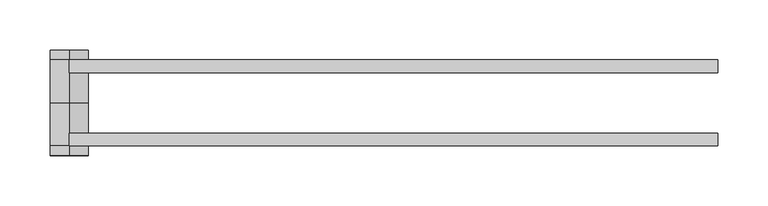
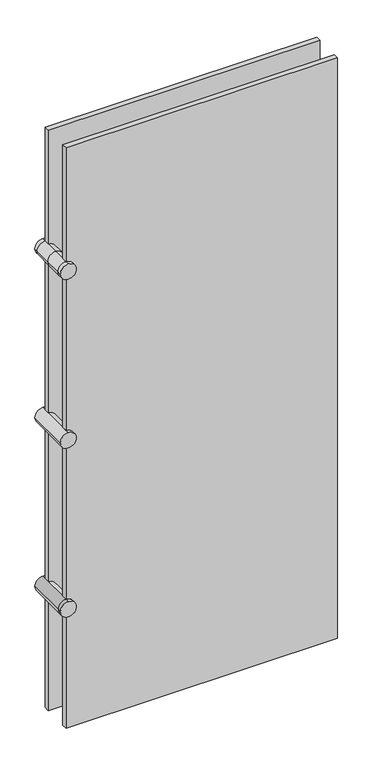
"""IFC4 building model written with IfcOpenShell, lengths in millimetres: plate geometry."""

from ifc_helpers import new_model, si_unit, point, frame, frame_2d, origin, origin_with_axes, place, context, project, spatial, polyline, circle_curve, trimmed, segment, composite_curve, outline, extrude, source, transform, mapped, element, save
from ifc_brep_helpers import plane_surface, cylinder_surface, advanced_brep


def plate_f481ce31(model_context):
    return source(origin(), model_context, "Body", "SolidModel", [
        extrude(outline(polyline([(322.9430788, 42.8355237), (322.9430788, 30.1355237), (-322.9430788, 30.1355237), (-322.9430788, 42.8355237), (322.9430788, 42.8355237)])), origin_with_axes(), (0.0, 0.0, 1.0), 1457.6723151),
        extrude(outline(polyline([(322.9430788, -42.8111299), (-322.9430788, -42.8111299), (-322.9430788, -30.1111299), (322.9430788, -30.1111299), (322.9430788, -42.8111299)])), origin_with_axes(), (0.0, 0.0, 1.0), 1457.6723151),
        advanced_brep(
        [(-303.8930788, 52.3605237, 304.8), (-322.9430788, 52.3605237, 285.75), (-341.9930788, 52.3605237, 304.8), (-322.9430788, 52.3605237, 323.85), (-303.8930788, -52.3361299, 304.8), (-322.9430788, -52.3361299, 323.85), (-341.9930788, -52.3361299, 304.8), (-322.9430788, -52.3361299, 285.75), (-303.8930788, -42.8111299, 304.8), (-322.9430788, -42.8111299, 285.75), (-341.9930788, -42.8111299, 304.8), (-322.9430788, -42.8111299, 323.85)],
        [
            (0, 1, circle_curve(frame((-322.9430788, 52.3605237, 304.8), z_axis=(0.0, 1.0, 0.0), x_axis=(0.0, 0.0, 1.0)), 19.05)),
            (1, 2, circle_curve(frame((-322.9430788, 52.3605237, 304.8), z_axis=(0.0, 1.0, 0.0), x_axis=(0.0, 0.0, 1.0)), 19.05)),
            (2, 3, circle_curve(frame((-322.9430788, 52.3605237, 304.8), z_axis=(0.0, 1.0, 0.0), x_axis=(0.0, 0.0, 1.0)), 19.05)),
            (3, 0, circle_curve(frame((-322.9430788, 52.3605237, 304.8), z_axis=(0.0, 1.0, 0.0), x_axis=(0.0, 0.0, 1.0)), 19.05)),
            (4, 5, circle_curve(frame((-322.9430788, -52.3361299, 304.8), z_axis=(0.0, -1.0, 0.0), x_axis=(0.0, 0.0, 1.0)), 19.05)),
            (5, 6, circle_curve(frame((-322.9430788, -52.3361299, 304.8), z_axis=(0.0, -1.0, 0.0), x_axis=(0.0, 0.0, 1.0)), 19.05)),
            (6, 7, circle_curve(frame((-322.9430788, -52.3361299, 304.8), z_axis=(0.0, -1.0, 0.0), x_axis=(0.0, 0.0, 1.0)), 19.05)),
            (7, 4, circle_curve(frame((-322.9430788, -52.3361299, 304.8), z_axis=(0.0, -1.0, 0.0), x_axis=(0.0, 0.0, 1.0)), 19.05)),
            (0, 8),
            (8, 9, circle_curve(frame((-322.9430788, -42.8111299, 304.8), z_axis=(0.0, 1.0, 0.0), x_axis=(0.0, 0.0, 1.0)), 19.05)),
            (9, 1),
            (9, 10, circle_curve(frame((-322.9430788, -42.8111299, 304.8), z_axis=(0.0, 1.0, 0.0), x_axis=(0.0, 0.0, 1.0)), 19.05)),
            (10, 2),
            (10, 11, circle_curve(frame((-322.9430788, -42.8111299, 304.8), z_axis=(0.0, 1.0, 0.0), x_axis=(0.0, 0.0, 1.0)), 19.05)),
            (11, 3),
            (11, 8, circle_curve(frame((-322.9430788, -42.8111299, 304.8), z_axis=(0.0, 1.0, 0.0), x_axis=(0.0, 0.0, 1.0)), 19.05)),
            (8, 4),
            (7, 9),
            (6, 10),
            (5, 11),
        ],
        [
            plane_surface(frame((-322.9430788, 52.3605237, 718.8924206), z_axis=(0.0, 1.0, 0.0), x_axis=(-1.0, 0.0, 0.0))),
            plane_surface(frame((-322.9430788, -52.3361299, 718.8924206), z_axis=(0.0, -1.0, 0.0), x_axis=(-1.0, 0.0, 0.0))),
            cylinder_surface(frame((-322.9430788, 52.3605237, 304.8), z_axis=(0.0, 1.0, 0.0), x_axis=(0.0, 0.0, 1.0)), 19.05),
            cylinder_surface(frame((-322.9430788, -42.8111299, 304.8), z_axis=(0.0, 1.0, 0.0), x_axis=(0.0, 0.0, 1.0)), 19.05),
        ],
        [
            (0, [[1, 2, 3, 4]]),
            (1, [[5, 6, 7, 8]]),
            (2, [[-1, 9, 10, 11]]),
            (2, [[-2, -11, 12, 13]]),
            (2, [[-3, -13, 14, 15]]),
            (2, [[-4, -15, 16, -9]]),
            (3, [[-10, 17, -8, 18]]),
            (3, [[-12, -18, -7, 19]]),
            (3, [[-14, -19, -6, 20]]),
            (3, [[-16, -20, -5, -17]]),
        ],
    ),
        extrude(outline(composite_curve([segment(trimmed(circle_curve(frame_2d((728.8361575, -322.9430788)), 19.05), [point((747.8861575, -322.9430788))], [point((728.8361575, -341.9930788))], False, "CARTESIAN"), True, "CONTINUOUS"), segment(trimmed(circle_curve(frame_2d((728.8361575, -322.9430788)), 19.05), [point((728.8361575, -341.9930788))], [point((709.7861575, -322.9430788))], False, "CARTESIAN"), True, "CONTINUOUS"), segment(trimmed(circle_curve(frame_2d((728.8361575, -322.9430788)), 19.05), [point((709.7861575, -322.9430788))], [point((728.8361575, -303.8930788))], False, "CARTESIAN"), True, "CONTINUOUS"), segment(trimmed(circle_curve(frame_2d((728.8361575, -322.9430788)), 19.05), [point((728.8361575, -303.8930788))], [point((747.8861575, -322.9430788))], False, "CARTESIAN"), True, "CONTINUOUS")], self_intersect=False)), frame((0.0, -52.3361299, 0.0), z_axis=(0.0, 1.0, 0.0), x_axis=(0.0, 0.0, 1.0)), (0.0, 0.0, 1.0), 104.6966536),
        advanced_brep(
        [(-322.9430788, -52.3361299, 1171.9223151), (-341.9930788, -52.3361299, 1152.8723151), (-322.9430788, -52.3361299, 1133.8223151), (-303.8930788, -52.3361299, 1152.8723151), (-322.9430788, 52.3605237, 1171.9223151), (-303.8930788, 52.3605237, 1152.8723151), (-322.9430788, 52.3605237, 1133.8223151), (-341.9930788, 52.3605237, 1152.8723151), (-341.9930788, 0.0121969, 1152.8723151), (-322.9430788, 0.0121969, 1171.9223151), (-322.9430788, 42.8355237, 1171.9223151), (-341.9930788, 42.8355237, 1152.8723151), (-322.9430788, 0.0121969, 1133.8223151), (-322.9430788, 42.8355237, 1133.8223151), (-303.8930788, 0.0121969, 1152.8723151), (-303.8930788, 42.8355237, 1152.8723151), (-322.9430788, -42.8111299, 1171.9223151), (-341.9930788, -42.8111299, 1152.8723151), (-322.9430788, -42.8111299, 1133.8223151), (-303.8930788, -42.8111299, 1152.8723151)],
        [
            (0, 1, circle_curve(frame((-322.9430788, -52.3361299, 1152.8723151), z_axis=(0.0, -1.0, 0.0), x_axis=(0.0, 0.0, -1.0)), 19.05)),
            (1, 2, circle_curve(frame((-322.9430788, -52.3361299, 1152.8723151), z_axis=(0.0, -1.0, 0.0), x_axis=(0.0, 0.0, -1.0)), 19.05)),
            (2, 3, circle_curve(frame((-322.9430788, -52.3361299, 1152.8723151), z_axis=(0.0, -1.0, 0.0), x_axis=(0.0, 0.0, -1.0)), 19.05)),
            (3, 0, circle_curve(frame((-322.9430788, -52.3361299, 1152.8723151), z_axis=(0.0, -1.0, 0.0), x_axis=(0.0, 0.0, -1.0)), 19.05)),
            (4, 5, circle_curve(frame((-322.9430788, 52.3605237, 1152.8723151), z_axis=(0.0, 1.0, 0.0), x_axis=(0.0, 0.0, -1.0)), 19.05)),
            (5, 6, circle_curve(frame((-322.9430788, 52.3605237, 1152.8723151), z_axis=(0.0, 1.0, 0.0), x_axis=(0.0, 0.0, -1.0)), 19.05)),
            (6, 7, circle_curve(frame((-322.9430788, 52.3605237, 1152.8723151), z_axis=(0.0, 1.0, 0.0), x_axis=(0.0, 0.0, -1.0)), 19.05)),
            (7, 4, circle_curve(frame((-322.9430788, 52.3605237, 1152.8723151), z_axis=(0.0, 1.0, 0.0), x_axis=(0.0, 0.0, -1.0)), 19.05)),
            (8, 9, circle_curve(frame((-322.9430788, 0.0121969, 1152.8723151), z_axis=(0.0, 1.0, 0.0), x_axis=(0.0, 0.0, -1.0)), 19.05)),
            (9, 10),
            (10, 11, circle_curve(frame((-322.9430788, 42.8355237, 1152.8723151), z_axis=(0.0, -1.0, 0.0), x_axis=(0.0, 0.0, -1.0)), 19.05)),
            (11, 8),
            (12, 8, circle_curve(frame((-322.9430788, 0.0121969, 1152.8723151), z_axis=(0.0, 1.0, 0.0), x_axis=(0.0, 0.0, -1.0)), 19.05)),
            (11, 13, circle_curve(frame((-322.9430788, 42.8355237, 1152.8723151), z_axis=(0.0, -1.0, 0.0), x_axis=(0.0, 0.0, -1.0)), 19.05)),
            (13, 12),
            (14, 12, circle_curve(frame((-322.9430788, 0.0121969, 1152.8723151), z_axis=(0.0, 1.0, 0.0), x_axis=(0.0, 0.0, -1.0)), 19.05)),
            (13, 15, circle_curve(frame((-322.9430788, 42.8355237, 1152.8723151), z_axis=(0.0, -1.0, 0.0), x_axis=(0.0, 0.0, -1.0)), 19.05)),
            (15, 14),
            (9, 14, circle_curve(frame((-322.9430788, 0.0121969, 1152.8723151), z_axis=(0.0, 1.0, 0.0), x_axis=(0.0, 0.0, -1.0)), 19.05)),
            (15, 10, circle_curve(frame((-322.9430788, 42.8355237, 1152.8723151), z_axis=(0.0, -1.0, 0.0), x_axis=(0.0, 0.0, -1.0)), 19.05)),
            (10, 4),
            (7, 11),
            (6, 13),
            (5, 15),
            (0, 16),
            (16, 17, circle_curve(frame((-322.9430788, -42.8111299, 1152.8723151), z_axis=(0.0, -1.0, 0.0), x_axis=(0.0, 0.0, -1.0)), 19.05)),
            (17, 1),
            (17, 18, circle_curve(frame((-322.9430788, -42.8111299, 1152.8723151), z_axis=(0.0, -1.0, 0.0), x_axis=(0.0, 0.0, -1.0)), 19.05)),
            (18, 2),
            (18, 19, circle_curve(frame((-322.9430788, -42.8111299, 1152.8723151), z_axis=(0.0, -1.0, 0.0), x_axis=(0.0, 0.0, -1.0)), 19.05)),
            (19, 3),
            (19, 16, circle_curve(frame((-322.9430788, -42.8111299, 1152.8723151), z_axis=(0.0, -1.0, 0.0), x_axis=(0.0, 0.0, -1.0)), 19.05)),
            (16, 9),
            (8, 17),
            (12, 18),
            (14, 19),
        ],
        [
            plane_surface(frame((-322.9430788, -52.3361299, 1152.8723151), z_axis=(0.0, -1.0, 0.0), x_axis=(-1.0, 0.0, 0.0))),
            plane_surface(frame((-322.9430788, 52.3605237, 1152.8723151), z_axis=(0.0, 1.0, 0.0), x_axis=(-1.0, 0.0, 0.0))),
            cylinder_surface(frame((-322.9430788, 0.0121969, 1152.8723151), z_axis=(0.0, -1.0, 0.0), x_axis=(0.0, 0.0, -1.0)), 19.05),
            cylinder_surface(frame((-322.9430788, 42.8355237, 1152.8723151), z_axis=(0.0, -1.0, 0.0), x_axis=(0.0, 0.0, -1.0)), 19.05),
            cylinder_surface(frame((-322.9430788, -52.3361299, 1152.8723151), z_axis=(0.0, -1.0, 0.0), x_axis=(0.0, 0.0, -1.0)), 19.05),
            cylinder_surface(frame((-322.9430788, -42.8111299, 1152.8723151), z_axis=(0.0, -1.0, 0.0), x_axis=(0.0, 0.0, -1.0)), 19.05),
        ],
        [
            (0, [[1, 2, 3, 4]]),
            (1, [[5, 6, 7, 8]]),
            (2, [[9, 10, 11, 12]]),
            (2, [[13, -12, 14, 15]]),
            (2, [[16, -15, 17, 18]]),
            (2, [[19, -18, 20, -10]]),
            (3, [[-11, 21, -8, 22]]),
            (3, [[-14, -22, -7, 23]]),
            (3, [[-17, -23, -6, 24]]),
            (3, [[-20, -24, -5, -21]]),
            (4, [[-1, 25, 26, 27]]),
            (4, [[-2, -27, 28, 29]]),
            (4, [[-3, -29, 30, 31]]),
            (4, [[-4, -31, 32, -25]]),
            (5, [[-26, 33, -9, 34]]),
            (5, [[-28, -34, -13, 35]]),
            (5, [[-30, -35, -16, 36]]),
            (5, [[-32, -36, -19, -33]]),
        ],
    ),
    ])


if __name__ == "__main__":
    model = new_model("IFC4")
    model_context = context("Model", 3, world=origin())
    ifc_project = project(units=[si_unit("LENGTHUNIT", "METRE", prefix="MILLI")], contexts=[model_context])
    site = spatial("IfcSite", under=ifc_project)
    building = spatial("IfcBuilding", under=site)
    placement = place(None, origin())
    plate_shape = plate_f481ce31(model_context)
    element("IfcPlate", 1, at=placement, inside=building, context=model_context, shape_type="MappedRepresentation", body=[
        mapped(plate_shape, transform((0.0, 0.0, 0.0), x_axis=(1.0, 0.0, 0.0), y_axis=(0.0, 1.0, 0.0), z_axis=(0.0, 0.0, 1.0))),
    ])
    save(model, "model.ifc")
